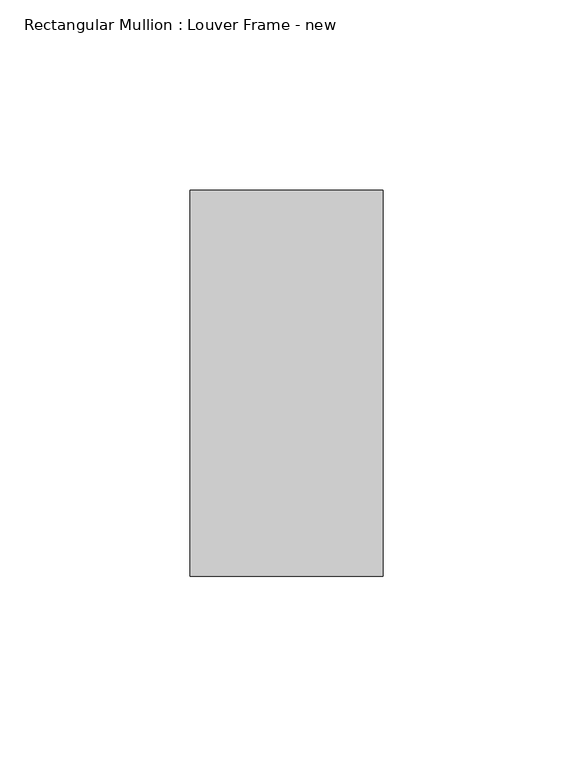
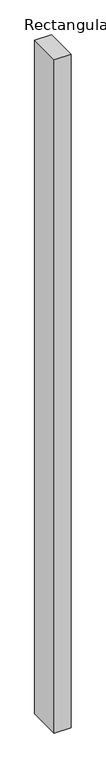
"""IFC4 building model written with IfcOpenShell, lengths in millimetres: member geometry, Rectangular Mullion : Louver Frame - new."""

from ifc_helpers import new_model, si_unit, frame, origin, place, context, project, spatial, polyline, outline, extrude, source, transform, mapped, element, save


def rectangular_mullion_louver_frame_new_2f07ad3c(model_context):
    return source(origin(), model_context, "Body", "SweptSolid", [
        extrude(outline(polyline([(0.0, 50.8), (0.0, -50.8), (-50.8, -50.8), (-50.8, 50.8), (0.0, 50.8)])), frame((0.0, 0.0, -2148.8781716), z_axis=(0.0, 0.0, 1.0), x_axis=(1.0, 0.0, 0.0)), (0.0, 0.0, 1.0), 2148.8781716),
    ])


if __name__ == "__main__":
    model = new_model("IFC4")
    model_context = context("Model", 3, world=origin())
    ifc_project = project(units=[si_unit("LENGTHUNIT", "METRE", prefix="MILLI")], contexts=[model_context])
    site = spatial("IfcSite", under=ifc_project)
    building = spatial("IfcBuilding", under=site)
    placement = place(None, origin())
    rectangular_mullion_louver_frame_new_shape = rectangular_mullion_louver_frame_new_2f07ad3c(model_context)
    element("IfcMember", 1, ObjectType="Rectangular Mullion : Louver Frame - new", at=placement, inside=building, context=model_context, shape_type="MappedRepresentation", body=[
        mapped(rectangular_mullion_louver_frame_new_shape, transform((0.0, 0.0, 0.0), x_axis=(1.0, 0.0, 0.0), y_axis=(0.0, 1.0, 0.0), z_axis=(0.0, 0.0, 1.0))),
    ])
    save(model, "model.ifc")
